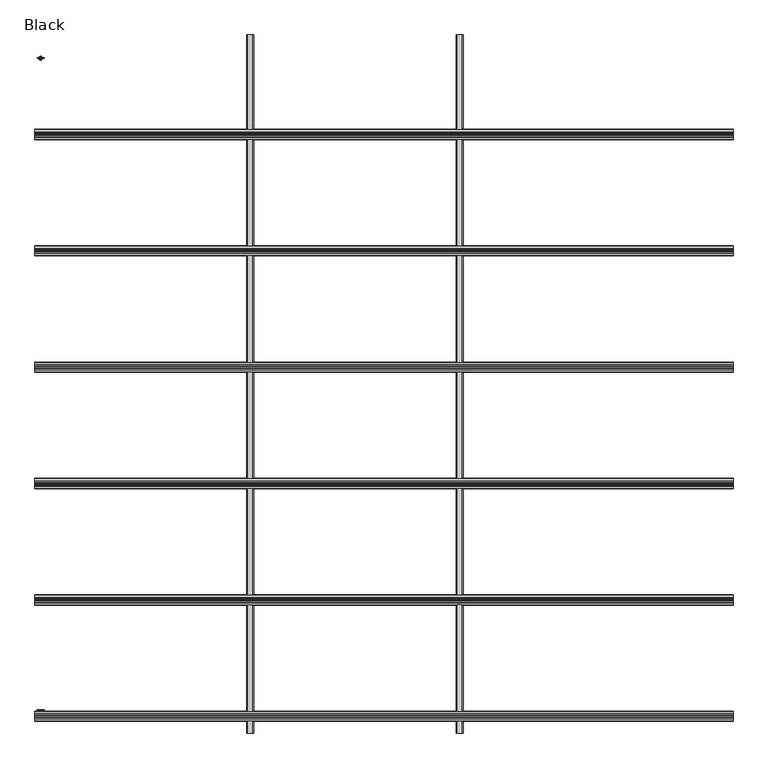
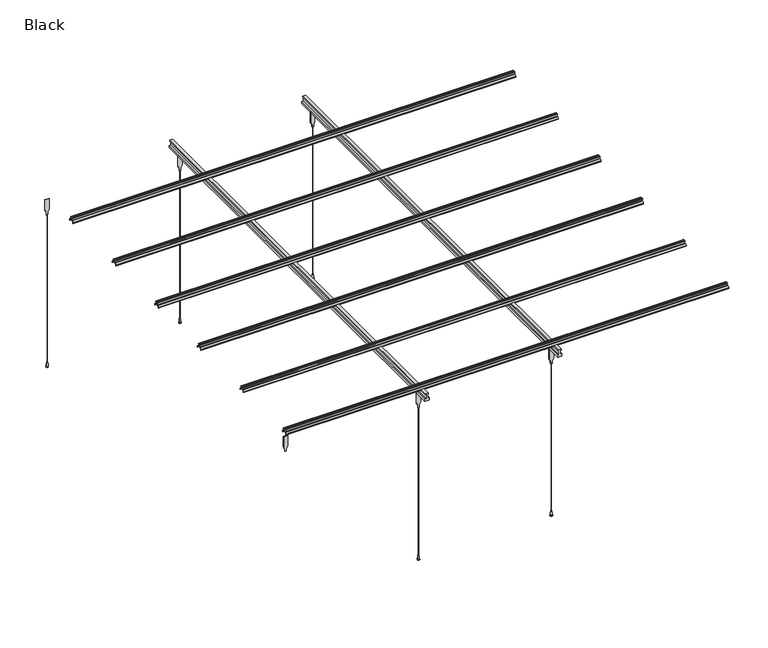
"""IFC4 building model written with IfcOpenShell, lengths in millimetres: proxy geometry, Black."""

from ifc_helpers import new_model, si_unit, point, frame, frame_2d, origin, place, context, project, spatial, polyline, circle_curve, ellipse_curve, trimmed, segment, composite_curve, outline, extrude, source, transform, mapped, element, save
from ifc_brep_helpers import plane_surface, cylinder_surface, revolved_surface, advanced_brep


def black_42f1b621(model_context):
    return source(origin(), model_context, "Body", "SolidModel", [
        extrude(outline(composite_curve([segment(trimmed(circle_curve(frame_2d((1066.5, 1274.0)), 2.0), [point((1066.5, 1276.0))], [point((1068.5, 1274.0))], False, "CARTESIAN"), True, "CONTINUOUS"), segment(polyline([(1068.5, 1274.0), (1067.0, 1274.0), (1067.0, 1268.0), (1077.0, 1268.0), (1077.0, 1274.0), (1075.4750888, 1274.0)]), True, "CONTINUOUS"), segment(trimmed(circle_curve(frame_2d((1077.4750888, 1274.0)), 2.0), [point((1075.4750888, 1274.0))], [point((1077.4750888, 1276.0))], False, "CARTESIAN"), True, "CONTINUOUS"), segment(polyline([(1077.4750888, 1276.0), (1082.0, 1276.0), (1082.0, 1275.0), (1078.0, 1275.0), (1078.0, 1259.5636161), (1083.2, 1259.5636161)]), True, "CONTINUOUS"), segment(trimmed(circle_curve(frame_2d((1083.2, 1250.7636161)), 8.8), [point((1083.2, 1259.5636161))], [point((1092.0, 1250.7636161))], False, "CARTESIAN"), True, "CONTINUOUS"), segment(polyline([(1092.0, 1250.7636161), (1092.0, 1248.0063531), (1094.0, 1248.0063531), (1092.0, 1245.0), (1090.7989305, 1245.0), (1092.1336726, 1247.0063531), (1091.0, 1247.0063531), (1091.0, 1250.7636161)]), True, "CONTINUOUS"), segment(trimmed(circle_curve(frame_2d((1083.2, 1250.7636161)), 7.8), [point((1091.0, 1250.7636161))], [point((1083.2, 1258.5636161))], True, "CARTESIAN"), True, "CONTINUOUS"), segment(polyline([(1083.2, 1258.5636161), (1077.0, 1258.5636161), (1077.0, 1267.0), (1067.0, 1267.0), (1067.0, 1258.5636161), (1060.8, 1258.5636161)]), True, "CONTINUOUS"), segment(trimmed(circle_curve(frame_2d((1060.8, 1250.7636161)), 7.8), [point((1060.8, 1258.5636161))], [point((1053.0, 1250.7636161))], True, "CARTESIAN"), True, "CONTINUOUS"), segment(polyline([(1053.0, 1250.7636161), (1053.0, 1247.0063531), (1051.8663274, 1247.0063531), (1053.2010695, 1245.0), (1052.0, 1245.0), (1050.0, 1248.0063531), (1052.0, 1248.0063531), (1052.0, 1250.7636161)]), True, "CONTINUOUS"), segment(trimmed(circle_curve(frame_2d((1060.8, 1250.7636161)), 8.8), [point((1052.0, 1250.7636161))], [point((1060.8, 1259.5636161))], False, "CARTESIAN"), True, "CONTINUOUS"), segment(polyline([(1060.8, 1259.5636161), (1066.0, 1259.5636161), (1066.0, 1275.0), (1062.0, 1275.0), (1062.0, 1276.0), (1066.5, 1276.0)]), True, "CONTINUOUS")], self_intersect=False)), frame((-1500.0, 0.0, 0.0), z_axis=(1.0, 0.0, 0.0), x_axis=(0.0, 1.0, 0.0)), (0.0, 0.0, 1.0), 3000.0),
        extrude(outline(composite_curve([segment(trimmed(circle_curve(frame_2d((566.5, 1274.0)), 2.0), [point((566.5, 1276.0))], [point((568.5, 1274.0))], False, "CARTESIAN"), True, "CONTINUOUS"), segment(polyline([(568.5, 1274.0), (567.0, 1274.0), (567.0, 1268.0), (577.0, 1268.0), (577.0, 1274.0), (575.4750888, 1274.0)]), True, "CONTINUOUS"), segment(trimmed(circle_curve(frame_2d((577.4750888, 1274.0)), 2.0), [point((575.4750888, 1274.0))], [point((577.4750888, 1276.0))], False, "CARTESIAN"), True, "CONTINUOUS"), segment(polyline([(577.4750888, 1276.0), (582.0, 1276.0), (582.0, 1275.0), (578.0, 1275.0), (578.0, 1259.5636161), (583.2, 1259.5636161)]), True, "CONTINUOUS"), segment(trimmed(circle_curve(frame_2d((583.2, 1250.7636161)), 8.8), [point((583.2, 1259.5636161))], [point((592.0, 1250.7636161))], False, "CARTESIAN"), True, "CONTINUOUS"), segment(polyline([(592.0, 1250.7636161), (592.0, 1248.0063531), (594.0, 1248.0063531), (592.0, 1245.0), (590.7989305, 1245.0), (592.1336726, 1247.0063531), (591.0, 1247.0063531), (591.0, 1250.7636161)]), True, "CONTINUOUS"), segment(trimmed(circle_curve(frame_2d((583.2, 1250.7636161)), 7.8), [point((591.0, 1250.7636161))], [point((583.2, 1258.5636161))], True, "CARTESIAN"), True, "CONTINUOUS"), segment(polyline([(583.2, 1258.5636161), (577.0, 1258.5636161), (577.0, 1267.0), (567.0, 1267.0), (567.0, 1258.5636161), (560.8, 1258.5636161)]), True, "CONTINUOUS"), segment(trimmed(circle_curve(frame_2d((560.8, 1250.7636161)), 7.8), [point((560.8, 1258.5636161))], [point((553.0, 1250.7636161))], True, "CARTESIAN"), True, "CONTINUOUS"), segment(polyline([(553.0, 1250.7636161), (553.0, 1247.0063531), (551.8663274, 1247.0063531), (553.2010695, 1245.0), (552.0, 1245.0), (550.0, 1248.0063531), (552.0, 1248.0063531), (552.0, 1250.7636161)]), True, "CONTINUOUS"), segment(trimmed(circle_curve(frame_2d((560.8, 1250.7636161)), 8.8), [point((552.0, 1250.7636161))], [point((560.8, 1259.5636161))], False, "CARTESIAN"), True, "CONTINUOUS"), segment(polyline([(560.8, 1259.5636161), (566.0, 1259.5636161), (566.0, 1275.0), (562.0, 1275.0), (562.0, 1276.0), (566.5, 1276.0)]), True, "CONTINUOUS")], self_intersect=False)), frame((-1500.0, 0.0, 0.0), z_axis=(1.0, 0.0, 0.0), x_axis=(0.0, 1.0, 0.0)), (0.0, 0.0, 1.0), 3000.0),
        extrude(outline(composite_curve([segment(trimmed(circle_curve(frame_2d((66.5, 1274.0)), 2.0), [point((66.5, 1276.0))], [point((68.5, 1274.0))], False, "CARTESIAN"), True, "CONTINUOUS"), segment(polyline([(68.5, 1274.0), (67.0, 1274.0), (67.0, 1268.0), (77.0, 1268.0), (77.0, 1274.0), (75.4750888, 1274.0)]), True, "CONTINUOUS"), segment(trimmed(circle_curve(frame_2d((77.4750888, 1274.0)), 2.0), [point((75.4750888, 1274.0))], [point((77.4750888, 1276.0))], False, "CARTESIAN"), True, "CONTINUOUS"), segment(polyline([(77.4750888, 1276.0), (82.0, 1276.0), (82.0, 1275.0), (78.0, 1275.0), (78.0, 1259.5636161), (83.2, 1259.5636161)]), True, "CONTINUOUS"), segment(trimmed(circle_curve(frame_2d((83.2, 1250.7636161)), 8.8), [point((83.2, 1259.5636161))], [point((92.0, 1250.7636161))], False, "CARTESIAN"), True, "CONTINUOUS"), segment(polyline([(92.0, 1250.7636161), (92.0, 1248.0063531), (94.0, 1248.0063531), (92.0, 1245.0), (90.7989305, 1245.0), (92.1336726, 1247.0063531), (91.0, 1247.0063531), (91.0, 1250.7636161)]), True, "CONTINUOUS"), segment(trimmed(circle_curve(frame_2d((83.2, 1250.7636161)), 7.8), [point((91.0, 1250.7636161))], [point((83.2, 1258.5636161))], True, "CARTESIAN"), True, "CONTINUOUS"), segment(polyline([(83.2, 1258.5636161), (77.0, 1258.5636161), (77.0, 1267.0), (67.0, 1267.0), (67.0, 1258.5636161), (60.8, 1258.5636161)]), True, "CONTINUOUS"), segment(trimmed(circle_curve(frame_2d((60.8, 1250.7636161)), 7.8), [point((60.8, 1258.5636161))], [point((53.0, 1250.7636161))], True, "CARTESIAN"), True, "CONTINUOUS"), segment(polyline([(53.0, 1250.7636161), (53.0, 1247.0063531), (51.8663274, 1247.0063531), (53.2010695, 1245.0), (52.0, 1245.0), (50.0, 1248.0063531), (52.0, 1248.0063531), (52.0, 1250.7636161)]), True, "CONTINUOUS"), segment(trimmed(circle_curve(frame_2d((60.8, 1250.7636161)), 8.8), [point((52.0, 1250.7636161))], [point((60.8, 1259.5636161))], False, "CARTESIAN"), True, "CONTINUOUS"), segment(polyline([(60.8, 1259.5636161), (66.0, 1259.5636161), (66.0, 1275.0), (62.0, 1275.0), (62.0, 1276.0), (66.5, 1276.0)]), True, "CONTINUOUS")], self_intersect=False)), frame((-1500.0, 0.0, 0.0), z_axis=(1.0, 0.0, 0.0), x_axis=(0.0, 1.0, 0.0)), (0.0, 0.0, 1.0), 3000.0),
        extrude(outline(composite_curve([segment(trimmed(circle_curve(frame_2d((-433.5, 1274.0)), 2.0), [point((-433.5, 1276.0))], [point((-431.5, 1274.0))], False, "CARTESIAN"), True, "CONTINUOUS"), segment(polyline([(-431.5, 1274.0), (-433.0, 1274.0), (-433.0, 1268.0), (-423.0, 1268.0), (-423.0, 1274.0), (-424.5249112, 1274.0)]), True, "CONTINUOUS"), segment(trimmed(circle_curve(frame_2d((-422.5249112, 1274.0)), 2.0), [point((-424.5249112, 1274.0))], [point((-422.5249112, 1276.0))], False, "CARTESIAN"), True, "CONTINUOUS"), segment(polyline([(-422.5249112, 1276.0), (-418.0, 1276.0), (-418.0, 1275.0), (-422.0, 1275.0), (-422.0, 1259.5636161), (-416.8, 1259.5636161)]), True, "CONTINUOUS"), segment(trimmed(circle_curve(frame_2d((-416.8, 1250.7636161)), 8.8), [point((-416.8, 1259.5636161))], [point((-408.0, 1250.7636161))], False, "CARTESIAN"), True, "CONTINUOUS"), segment(polyline([(-408.0, 1250.7636161), (-408.0, 1248.0063531), (-406.0, 1248.0063531), (-408.0, 1245.0), (-409.2010695, 1245.0), (-407.8663274, 1247.0063531), (-409.0, 1247.0063531), (-409.0, 1250.7636161)]), True, "CONTINUOUS"), segment(trimmed(circle_curve(frame_2d((-416.8, 1250.7636161)), 7.8), [point((-409.0, 1250.7636161))], [point((-416.8, 1258.5636161))], True, "CARTESIAN"), True, "CONTINUOUS"), segment(polyline([(-416.8, 1258.5636161), (-423.0, 1258.5636161), (-423.0, 1267.0), (-433.0, 1267.0), (-433.0, 1258.5636161), (-439.2, 1258.5636161)]), True, "CONTINUOUS"), segment(trimmed(circle_curve(frame_2d((-439.2, 1250.7636161)), 7.8), [point((-439.2, 1258.5636161))], [point((-447.0, 1250.7636161))], True, "CARTESIAN"), True, "CONTINUOUS"), segment(polyline([(-447.0, 1250.7636161), (-447.0, 1247.0063531), (-448.1336726, 1247.0063531), (-446.7989305, 1245.0), (-448.0, 1245.0), (-450.0, 1248.0063531), (-448.0, 1248.0063531), (-448.0, 1250.7636161)]), True, "CONTINUOUS"), segment(trimmed(circle_curve(frame_2d((-439.2, 1250.7636161)), 8.8), [point((-448.0, 1250.7636161))], [point((-439.2, 1259.5636161))], False, "CARTESIAN"), True, "CONTINUOUS"), segment(polyline([(-439.2, 1259.5636161), (-434.0, 1259.5636161), (-434.0, 1275.0), (-438.0, 1275.0), (-438.0, 1276.0), (-433.5, 1276.0)]), True, "CONTINUOUS")], self_intersect=False)), frame((-1500.0, 0.0, 0.0), z_axis=(1.0, 0.0, 0.0), x_axis=(0.0, 1.0, 0.0)), (0.0, 0.0, 1.0), 3000.0),
        extrude(outline(polyline([(1090.0, 330.0), (1105.0, 330.0), (1125.0, 340.0), (1200.0, 340.0), (1200.0, 310.0), (1125.0, 310.0), (1105.0, 320.0), (1090.0, 320.0), (1090.0, 330.0)])), frame((0.0, 1399.0, 0.0), z_axis=(0.0, 1.0, 0.0), x_axis=(0.0, 0.0, 1.0)), (0.0, 0.0, 1.0), 2.0),
        advanced_brep(
        [(323.0, 1400.0, 35.0), (327.0, 1400.0, 35.0), (325.0, 1400.0, 35.0), (325.0, 1400.0, 0.0), (333.0000004, 1400.0, 0.0), (316.9999996, 1400.0, 0.0), (333.0000004, 1400.0, 2.5000013), (316.9999996, 1400.0, 2.5000013), (329.4999998, 1400.0, 2.5000013), (320.5000002, 1400.0, 2.5000013), (329.4999998, 1400.0, 5.5), (320.5000002, 1400.0, 5.5), (331.0000001, 1400.0, 5.5), (318.9999999, 1400.0, 5.5), (328.0, 1400.0, 29.9999993), (322.0, 1400.0, 29.9999993), (327.0, 1400.0, 29.9999993), (323.0, 1400.0, 29.9999993)],
        [
            (0, 1, circle_curve(frame((325.0, 1400.0, 35.0), z_axis=(0.0, 0.0, 1.0), x_axis=(1.0, 0.0, 0.0)), 2.0)),
            (1, 2),
            (2, 0),
            (1, 0, circle_curve(frame((325.0, 1400.0, 35.0), z_axis=(0.0, 0.0, 1.0), x_axis=(1.0, 0.0, 0.0)), 2.0)),
            (3, 4),
            (4, 5, circle_curve(frame((325.0, 1400.0, 0.0), z_axis=(0.0, 0.0, -1.0), x_axis=(1.0, 0.0, 0.0)), 8.0000004)),
            (5, 3),
            (5, 4, circle_curve(frame((325.0, 1400.0, 0.0), z_axis=(0.0, 0.0, -1.0), x_axis=(1.0, 0.0, 0.0)), 8.0000004)),
            (4, 6),
            (6, 7, circle_curve(frame((325.0, 1400.0, 2.5000013), z_axis=(0.0, 0.0, -1.0), x_axis=(1.0, 0.0, 0.0)), 8.0000004)),
            (7, 5),
            (7, 6, circle_curve(frame((325.0, 1400.0, 2.5000013), z_axis=(0.0, 0.0, -1.0), x_axis=(1.0, 0.0, 0.0)), 8.0000004)),
            (6, 8),
            (8, 9, circle_curve(frame((325.0, 1400.0, 2.5000013), z_axis=(0.0, 0.0, -1.0), x_axis=(1.0, 0.0, 0.0)), 4.4999998)),
            (9, 7),
            (9, 8, circle_curve(frame((325.0, 1400.0, 2.5000013), z_axis=(0.0, 0.0, -1.0), x_axis=(1.0, 0.0, 0.0)), 4.4999998)),
            (8, 10),
            (10, 11, circle_curve(frame((325.0, 1400.0, 5.5), z_axis=(0.0, 0.0, -1.0), x_axis=(1.0, 0.0, 0.0)), 4.4999998)),
            (11, 9),
            (11, 10, circle_curve(frame((325.0, 1400.0, 5.5), z_axis=(0.0, 0.0, -1.0), x_axis=(1.0, 0.0, 0.0)), 4.4999998)),
            (10, 12),
            (12, 13, circle_curve(frame((325.0, 1400.0, 5.5), z_axis=(0.0, 0.0, -1.0), x_axis=(1.0, 0.0, 0.0)), 6.0000001)),
            (13, 11),
            (13, 12, circle_curve(frame((325.0, 1400.0, 5.5), z_axis=(0.0, 0.0, -1.0), x_axis=(1.0, 0.0, 0.0)), 6.0000001)),
            (12, 14, circle_curve(frame((229.4583655, 1400.0, 5.5000032), z_axis=(0.0, -1.0, 0.0), x_axis=(-1.0, 0.0, 0.0)), 101.5416345)),
            (14, 15, circle_curve(frame((325.0, 1400.0, 29.9999993), z_axis=(0.0, 0.0, -1.0), x_axis=(1.0, 0.0, 0.0)), 3.0)),
            (15, 13, circle_curve(frame((420.5416345, 1400.0, 5.5000032), z_axis=(0.0, -1.0, 0.0), x_axis=(1.0, 0.0, 0.0)), 101.5416345)),
            (15, 14, circle_curve(frame((325.0, 1400.0, 29.9999993), z_axis=(0.0, 0.0, -1.0), x_axis=(1.0, 0.0, 0.0)), 3.0)),
            (14, 16),
            (16, 17, circle_curve(frame((325.0, 1400.0, 29.9999993), z_axis=(0.0, 0.0, -1.0), x_axis=(1.0, 0.0, 0.0)), 2.0)),
            (17, 15),
            (17, 16, circle_curve(frame((325.0, 1400.0, 29.9999993), z_axis=(0.0, 0.0, -1.0), x_axis=(1.0, 0.0, 0.0)), 2.0)),
            (16, 1),
            (0, 17),
        ],
        [
            plane_surface(frame((325.0, 1400.0, 35.0), z_axis=(0.0, 0.0, 1.0), x_axis=(1.0, 0.0, 0.0))),
            plane_surface(frame((325.0, 1400.0, 0.0), z_axis=(0.0, 0.0, -1.0), x_axis=(1.0, 0.0, 0.0))),
            cylinder_surface(frame((325.0, 1400.0, -15.1208873), z_axis=(0.0, 0.0, -1.0), x_axis=(1.0, 0.0, 0.0)), 8.0000004),
            plane_surface(frame((325.0, 1400.0, 2.5000013), z_axis=(0.0, 0.0, 1.0), x_axis=(1.0, 0.0, 0.0))),
            cylinder_surface(frame((325.0, 1400.0, -15.1208873), z_axis=(0.0, 0.0, -1.0), x_axis=(1.0, 0.0, 0.0)), 4.4999998),
            plane_surface(frame((325.0, 1400.0, 5.5), z_axis=(0.0, 0.0, -1.0), x_axis=(1.0, 0.0, 0.0))),
            revolved_surface(trimmed(ellipse_curve(frame((229.4583655, 1400.0, 5.5000032), z_axis=(0.0, 1.0, 0.0), x_axis=(-1.0, 0.0, 0.0)), 101.5416345, 101.5416345), [point((328.0, 1400.0, 29.9999993))], [point((331.0000001, 1400.0, 5.5))], True, "CARTESIAN"), (325.0, 1400.0, -15.1208873), (0.0, 0.0, -1.0)),
            plane_surface(frame((325.0, 1400.0, 29.9999993), z_axis=(0.0, 0.0, 1.0), x_axis=(1.0, 0.0, 0.0))),
            cylinder_surface(frame((325.0, 1400.0, -15.1208873), z_axis=(0.0, 0.0, -1.0), x_axis=(1.0, 0.0, 0.0)), 2.0),
        ],
        [
            (0, [[1, 2, 3]]),
            (0, [[4, -3, -2]]),
            (1, [[5, 6, 7]]),
            (1, [[-7, 8, -5]]),
            (2, [[-6, 9, 10, 11]]),
            (2, [[-8, -11, 12, -9]]),
            (3, [[-10, 13, 14, 15]]),
            (3, [[-12, -15, 16, -13]]),
            (4, [[-14, 17, 18, 19]]),
            (4, [[-16, -19, 20, -17]]),
            (5, [[-18, 21, 22, 23]]),
            (5, [[-20, -23, 24, -21]]),
            (6, [[-22, 25, 26, 27]]),
            (6, [[-24, -27, 28, -25]]),
            (7, [[-26, 29, 30, 31]]),
            (7, [[-28, -31, 32, -29]]),
            (8, [[-30, 33, -1, 34]]),
            (8, [[-32, -34, -4, -33]]),
        ],
    ),
        extrude(outline(composite_curve([segment(trimmed(circle_curve(frame_2d((325.0, 1400.0)), 0.65), [point((325.65, 1400.0))], [point((324.35, 1400.0))], False, "CARTESIAN"), True, "CONTINUOUS"), segment(trimmed(circle_curve(frame_2d((325.0, 1400.0)), 0.65), [point((324.35, 1400.0))], [point((325.65, 1400.0))], False, "CARTESIAN"), True, "CONTINUOUS")], self_intersect=False)), frame((0.0, 0.0, 35.0), z_axis=(0.0, 0.0, 1.0), x_axis=(1.0, 0.0, 0.0)), (0.0, 0.0, 1.0), 1055.0),
        extrude(outline(polyline([(1090.0, 330.0), (1105.0, 330.0), (1125.0, 340.0), (1200.0, 340.0), (1200.0, 310.0), (1125.0, 310.0), (1105.0, 320.0), (1090.0, 320.0), (1090.0, 330.0)])), frame((0.0, -1401.0, 0.0), z_axis=(0.0, 1.0, 0.0), x_axis=(0.0, 0.0, 1.0)), (0.0, 0.0, 1.0), 2.0),
        advanced_brep(
        [(323.0, -1400.0, 35.0), (327.0, -1400.0, 35.0), (325.0, -1400.0, 35.0), (325.0, -1400.0, 0.0), (333.0000004, -1400.0, 0.0), (316.9999996, -1400.0, 0.0), (333.0000004, -1400.0, 2.5000013), (316.9999996, -1400.0, 2.5000013), (329.4999998, -1400.0, 2.5000013), (320.5000002, -1400.0, 2.5000013), (329.4999998, -1400.0, 5.5), (320.5000002, -1400.0, 5.5), (331.0000001, -1400.0, 5.5), (318.9999999, -1400.0, 5.5), (328.0, -1400.0, 29.9999993), (322.0, -1400.0, 29.9999993), (327.0, -1400.0, 29.9999993), (323.0, -1400.0, 29.9999993)],
        [
            (0, 1, circle_curve(frame((325.0, -1400.0, 35.0), z_axis=(0.0, 0.0, 1.0), x_axis=(1.0, 0.0, 0.0)), 2.0)),
            (1, 2),
            (2, 0),
            (1, 0, circle_curve(frame((325.0, -1400.0, 35.0), z_axis=(0.0, 0.0, 1.0), x_axis=(1.0, 0.0, 0.0)), 2.0)),
            (3, 4),
            (4, 5, circle_curve(frame((325.0, -1400.0, 0.0), z_axis=(0.0, 0.0, -1.0), x_axis=(1.0, 0.0, 0.0)), 8.0000004)),
            (5, 3),
            (5, 4, circle_curve(frame((325.0, -1400.0, 0.0), z_axis=(0.0, 0.0, -1.0), x_axis=(1.0, 0.0, 0.0)), 8.0000004)),
            (4, 6),
            (6, 7, circle_curve(frame((325.0, -1400.0, 2.5000013), z_axis=(0.0, 0.0, -1.0), x_axis=(1.0, 0.0, 0.0)), 8.0000004)),
            (7, 5),
            (7, 6, circle_curve(frame((325.0, -1400.0, 2.5000013), z_axis=(0.0, 0.0, -1.0), x_axis=(1.0, 0.0, 0.0)), 8.0000004)),
            (6, 8),
            (8, 9, circle_curve(frame((325.0, -1400.0, 2.5000013), z_axis=(0.0, 0.0, -1.0), x_axis=(1.0, 0.0, 0.0)), 4.4999998)),
            (9, 7),
            (9, 8, circle_curve(frame((325.0, -1400.0, 2.5000013), z_axis=(0.0, 0.0, -1.0), x_axis=(1.0, 0.0, 0.0)), 4.4999998)),
            (8, 10),
            (10, 11, circle_curve(frame((325.0, -1400.0, 5.5), z_axis=(0.0, 0.0, -1.0), x_axis=(1.0, 0.0, 0.0)), 4.4999998)),
            (11, 9),
            (11, 10, circle_curve(frame((325.0, -1400.0, 5.5), z_axis=(0.0, 0.0, -1.0), x_axis=(1.0, 0.0, 0.0)), 4.4999998)),
            (10, 12),
            (12, 13, circle_curve(frame((325.0, -1400.0, 5.5), z_axis=(0.0, 0.0, -1.0), x_axis=(1.0, 0.0, 0.0)), 6.0000001)),
            (13, 11),
            (13, 12, circle_curve(frame((325.0, -1400.0, 5.5), z_axis=(0.0, 0.0, -1.0), x_axis=(1.0, 0.0, 0.0)), 6.0000001)),
            (12, 14, circle_curve(frame((229.4583655, -1400.0, 5.5000032), z_axis=(0.0, -1.0, 0.0), x_axis=(-1.0, 0.0, 0.0)), 101.5416345)),
            (14, 15, circle_curve(frame((325.0, -1400.0, 29.9999993), z_axis=(0.0, 0.0, -1.0), x_axis=(1.0, 0.0, 0.0)), 3.0)),
            (15, 13, circle_curve(frame((420.5416345, -1400.0, 5.5000032), z_axis=(0.0, -1.0, 0.0), x_axis=(1.0, 0.0, 0.0)), 101.5416345)),
            (15, 14, circle_curve(frame((325.0, -1400.0, 29.9999993), z_axis=(0.0, 0.0, -1.0), x_axis=(1.0, 0.0, 0.0)), 3.0)),
            (14, 16),
            (16, 17, circle_curve(frame((325.0, -1400.0, 29.9999993), z_axis=(0.0, 0.0, -1.0), x_axis=(1.0, 0.0, 0.0)), 2.0)),
            (17, 15),
            (17, 16, circle_curve(frame((325.0, -1400.0, 29.9999993), z_axis=(0.0, 0.0, -1.0), x_axis=(1.0, 0.0, 0.0)), 2.0)),
            (16, 1),
            (0, 17),
        ],
        [
            plane_surface(frame((325.0, -1400.0, 35.0), z_axis=(0.0, 0.0, 1.0), x_axis=(1.0, 0.0, 0.0))),
            plane_surface(frame((325.0, -1400.0, 0.0), z_axis=(0.0, 0.0, -1.0), x_axis=(1.0, 0.0, 0.0))),
            cylinder_surface(frame((325.0, -1400.0, -15.1208873), z_axis=(0.0, 0.0, -1.0), x_axis=(1.0, 0.0, 0.0)), 8.0000004),
            plane_surface(frame((325.0, -1400.0, 2.5000013), z_axis=(0.0, 0.0, 1.0), x_axis=(1.0, 0.0, 0.0))),
            cylinder_surface(frame((325.0, -1400.0, -15.1208873), z_axis=(0.0, 0.0, -1.0), x_axis=(1.0, 0.0, 0.0)), 4.4999998),
            plane_surface(frame((325.0, -1400.0, 5.5), z_axis=(0.0, 0.0, -1.0), x_axis=(1.0, 0.0, 0.0))),
            revolved_surface(trimmed(ellipse_curve(frame((229.4583655, -1400.0, 5.5000032), z_axis=(0.0, 1.0, 0.0), x_axis=(-1.0, 0.0, 0.0)), 101.5416345, 101.5416345), [point((328.0, -1400.0, 29.9999993))], [point((331.0000001, -1400.0, 5.5))], True, "CARTESIAN"), (325.0, -1400.0, -15.1208873), (0.0, 0.0, -1.0)),
            plane_surface(frame((325.0, -1400.0, 29.9999993), z_axis=(0.0, 0.0, 1.0), x_axis=(1.0, 0.0, 0.0))),
            cylinder_surface(frame((325.0, -1400.0, -15.1208873), z_axis=(0.0, 0.0, -1.0), x_axis=(1.0, 0.0, 0.0)), 2.0),
        ],
        [
            (0, [[1, 2, 3]]),
            (0, [[4, -3, -2]]),
            (1, [[5, 6, 7]]),
            (1, [[-7, 8, -5]]),
            (2, [[-6, 9, 10, 11]]),
            (2, [[-8, -11, 12, -9]]),
            (3, [[-10, 13, 14, 15]]),
            (3, [[-12, -15, 16, -13]]),
            (4, [[-14, 17, 18, 19]]),
            (4, [[-16, -19, 20, -17]]),
            (5, [[-18, 21, 22, 23]]),
            (5, [[-20, -23, 24, -21]]),
            (6, [[-22, 25, 26, 27]]),
            (6, [[-24, -27, 28, -25]]),
            (7, [[-26, 29, 30, 31]]),
            (7, [[-28, -31, 32, -29]]),
            (8, [[-30, 33, -1, 34]]),
            (8, [[-32, -34, -4, -33]]),
        ],
    ),
        extrude(outline(composite_curve([segment(trimmed(circle_curve(frame_2d((325.0, -1400.0)), 0.65), [point((325.65, -1400.0))], [point((324.35, -1400.0))], False, "CARTESIAN"), True, "CONTINUOUS"), segment(trimmed(circle_curve(frame_2d((325.0, -1400.0)), 0.65), [point((324.35, -1400.0))], [point((325.65, -1400.0))], False, "CARTESIAN"), True, "CONTINUOUS")], self_intersect=False)), frame((0.0, 0.0, 35.0), z_axis=(0.0, 0.0, 1.0), x_axis=(1.0, 0.0, 0.0)), (0.0, 0.0, 1.0), 1055.0),
        extrude(outline(polyline([(1245.0, 335.0), (1250.0, 335.0), (1250.0, 315.0), (1245.0, 315.0), (1245.0, 320.0), (1215.0, 320.0), (1215.0, 310.0), (1200.0, 310.0), (1200.0, 340.0), (1215.0, 340.0), (1215.0, 330.0), (1245.0, 330.0), (1245.0, 335.0)])), frame((0.0, -1500.0, 0.0), z_axis=(0.0, 1.0, 0.0), x_axis=(0.0, 0.0, 1.0)), (0.0, 0.0, 1.0), 3000.0),
        extrude(outline(composite_curve([segment(trimmed(circle_curve(frame_2d((-933.5, 1274.0)), 2.0), [point((-933.5, 1276.0))], [point((-931.5, 1274.0))], False, "CARTESIAN"), True, "CONTINUOUS"), segment(polyline([(-931.5, 1274.0), (-933.0, 1274.0), (-933.0, 1268.0), (-923.0, 1268.0), (-923.0, 1274.0), (-924.5249112, 1274.0)]), True, "CONTINUOUS"), segment(trimmed(circle_curve(frame_2d((-922.5249112, 1274.0)), 2.0), [point((-924.5249112, 1274.0))], [point((-922.5249112, 1276.0))], False, "CARTESIAN"), True, "CONTINUOUS"), segment(polyline([(-922.5249112, 1276.0), (-918.0, 1276.0), (-918.0, 1275.0), (-922.0, 1275.0), (-922.0, 1259.5636161), (-916.8, 1259.5636161)]), True, "CONTINUOUS"), segment(trimmed(circle_curve(frame_2d((-916.8, 1250.7636161)), 8.8), [point((-916.8, 1259.5636161))], [point((-908.0, 1250.7636161))], False, "CARTESIAN"), True, "CONTINUOUS"), segment(polyline([(-908.0, 1250.7636161), (-908.0, 1248.0063531), (-906.0, 1248.0063531), (-908.0, 1245.0), (-909.2010695, 1245.0), (-907.8663274, 1247.0063531), (-909.0, 1247.0063531), (-909.0, 1250.7636161)]), True, "CONTINUOUS"), segment(trimmed(circle_curve(frame_2d((-916.8, 1250.7636161)), 7.8), [point((-909.0, 1250.7636161))], [point((-916.8, 1258.5636161))], True, "CARTESIAN"), True, "CONTINUOUS"), segment(polyline([(-916.8, 1258.5636161), (-923.0, 1258.5636161), (-923.0, 1267.0), (-933.0, 1267.0), (-933.0, 1258.5636161), (-939.2, 1258.5636161)]), True, "CONTINUOUS"), segment(trimmed(circle_curve(frame_2d((-939.2, 1250.7636161)), 7.8), [point((-939.2, 1258.5636161))], [point((-947.0, 1250.7636161))], True, "CARTESIAN"), True, "CONTINUOUS"), segment(polyline([(-947.0, 1250.7636161), (-947.0, 1247.0063531), (-948.1336726, 1247.0063531), (-946.7989305, 1245.0), (-948.0, 1245.0), (-950.0, 1248.0063531), (-948.0, 1248.0063531), (-948.0, 1250.7636161)]), True, "CONTINUOUS"), segment(trimmed(circle_curve(frame_2d((-939.2, 1250.7636161)), 8.8), [point((-948.0, 1250.7636161))], [point((-939.2, 1259.5636161))], False, "CARTESIAN"), True, "CONTINUOUS"), segment(polyline([(-939.2, 1259.5636161), (-934.0, 1259.5636161), (-934.0, 1275.0), (-938.0, 1275.0), (-938.0, 1276.0), (-933.5, 1276.0)]), True, "CONTINUOUS")], self_intersect=False)), frame((-1500.0, 0.0, 0.0), z_axis=(1.0, 0.0, 0.0), x_axis=(0.0, 1.0, 0.0)), (0.0, 0.0, 1.0), 3000.0),
        extrude(outline(composite_curve([segment(trimmed(circle_curve(frame_2d((-1433.5, 1274.0)), 2.0), [point((-1433.5, 1276.0))], [point((-1431.5, 1274.0))], False, "CARTESIAN"), True, "CONTINUOUS"), segment(polyline([(-1431.5, 1274.0), (-1433.0, 1274.0), (-1433.0, 1268.0), (-1423.0, 1268.0), (-1423.0, 1274.0), (-1424.5249112, 1274.0)]), True, "CONTINUOUS"), segment(trimmed(circle_curve(frame_2d((-1422.5249112, 1274.0)), 2.0), [point((-1424.5249112, 1274.0))], [point((-1422.5249112, 1276.0))], False, "CARTESIAN"), True, "CONTINUOUS"), segment(polyline([(-1422.5249112, 1276.0), (-1418.0, 1276.0), (-1418.0, 1275.0), (-1422.0, 1275.0), (-1422.0, 1259.5636161), (-1416.8, 1259.5636161)]), True, "CONTINUOUS"), segment(trimmed(circle_curve(frame_2d((-1416.8, 1250.7636161)), 8.8), [point((-1416.8, 1259.5636161))], [point((-1408.0, 1250.7636161))], False, "CARTESIAN"), True, "CONTINUOUS"), segment(polyline([(-1408.0, 1250.7636161), (-1408.0, 1248.0063531), (-1406.0, 1248.0063531), (-1408.0, 1245.0), (-1409.2010695, 1245.0), (-1407.8663274, 1247.0063531), (-1409.0, 1247.0063531), (-1409.0, 1250.7636161)]), True, "CONTINUOUS"), segment(trimmed(circle_curve(frame_2d((-1416.8, 1250.7636161)), 7.8), [point((-1409.0, 1250.7636161))], [point((-1416.8, 1258.5636161))], True, "CARTESIAN"), True, "CONTINUOUS"), segment(polyline([(-1416.8, 1258.5636161), (-1423.0, 1258.5636161), (-1423.0, 1267.0), (-1433.0, 1267.0), (-1433.0, 1258.5636161), (-1439.2, 1258.5636161)]), True, "CONTINUOUS"), segment(trimmed(circle_curve(frame_2d((-1439.2, 1250.7636161)), 7.8), [point((-1439.2, 1258.5636161))], [point((-1447.0, 1250.7636161))], True, "CARTESIAN"), True, "CONTINUOUS"), segment(polyline([(-1447.0, 1250.7636161), (-1447.0, 1247.0063531), (-1448.1336726, 1247.0063531), (-1446.7989305, 1245.0), (-1448.0, 1245.0), (-1450.0, 1248.0063531), (-1448.0, 1248.0063531), (-1448.0, 1250.7636161)]), True, "CONTINUOUS"), segment(trimmed(circle_curve(frame_2d((-1439.2, 1250.7636161)), 8.8), [point((-1448.0, 1250.7636161))], [point((-1439.2, 1259.5636161))], False, "CARTESIAN"), True, "CONTINUOUS"), segment(polyline([(-1439.2, 1259.5636161), (-1434.0, 1259.5636161), (-1434.0, 1275.0), (-1438.0, 1275.0), (-1438.0, 1276.0), (-1433.5, 1276.0)]), True, "CONTINUOUS")], self_intersect=False)), frame((-1500.0, 0.0, 0.0), z_axis=(1.0, 0.0, 0.0), x_axis=(0.0, 1.0, 0.0)), (0.0, 0.0, 1.0), 3000.0),
        extrude(outline(polyline([(1090.0, -570.0), (1105.0, -570.0), (1125.0, -560.0), (1200.0, -560.0), (1200.0, -590.0), (1125.0, -590.0), (1105.0, -580.0), (1090.0, -580.0), (1090.0, -570.0)])), frame((0.0, 1399.0, 0.0), z_axis=(0.0, 1.0, 0.0), x_axis=(0.0, 0.0, 1.0)), (0.0, 0.0, 1.0), 2.0),
        advanced_brep(
        [(-577.0, 1400.0, 35.0), (-573.0, 1400.0, 35.0), (-575.0, 1400.0, 35.0), (-575.0, 1400.0, 0.0), (-566.9999996, 1400.0, 0.0), (-583.0000004, 1400.0, 0.0), (-566.9999996, 1400.0, 2.5000013), (-583.0000004, 1400.0, 2.5000013), (-570.5000002, 1400.0, 2.5000013), (-579.4999998, 1400.0, 2.5000013), (-570.5000002, 1400.0, 5.5), (-579.4999998, 1400.0, 5.5), (-568.9999999, 1400.0, 5.5), (-581.0000001, 1400.0, 5.5), (-572.0, 1400.0, 29.9999993), (-578.0, 1400.0, 29.9999993), (-573.0, 1400.0, 29.9999993), (-577.0, 1400.0, 29.9999993)],
        [
            (0, 1, circle_curve(frame((-575.0, 1400.0, 35.0), z_axis=(0.0, 0.0, 1.0), x_axis=(1.0, 0.0, 0.0)), 2.0)),
            (1, 2),
            (2, 0),
            (1, 0, circle_curve(frame((-575.0, 1400.0, 35.0), z_axis=(0.0, 0.0, 1.0), x_axis=(1.0, 0.0, 0.0)), 2.0)),
            (3, 4),
            (4, 5, circle_curve(frame((-575.0, 1400.0, 0.0), z_axis=(0.0, 0.0, -1.0), x_axis=(1.0, 0.0, 0.0)), 8.0000004)),
            (5, 3),
            (5, 4, circle_curve(frame((-575.0, 1400.0, 0.0), z_axis=(0.0, 0.0, -1.0), x_axis=(1.0, 0.0, 0.0)), 8.0000004)),
            (4, 6),
            (6, 7, circle_curve(frame((-575.0, 1400.0, 2.5000013), z_axis=(0.0, 0.0, -1.0), x_axis=(1.0, 0.0, 0.0)), 8.0000004)),
            (7, 5),
            (7, 6, circle_curve(frame((-575.0, 1400.0, 2.5000013), z_axis=(0.0, 0.0, -1.0), x_axis=(1.0, 0.0, 0.0)), 8.0000004)),
            (6, 8),
            (8, 9, circle_curve(frame((-575.0, 1400.0, 2.5000013), z_axis=(0.0, 0.0, -1.0), x_axis=(1.0, 0.0, 0.0)), 4.4999998)),
            (9, 7),
            (9, 8, circle_curve(frame((-575.0, 1400.0, 2.5000013), z_axis=(0.0, 0.0, -1.0), x_axis=(1.0, 0.0, 0.0)), 4.4999998)),
            (8, 10),
            (10, 11, circle_curve(frame((-575.0, 1400.0, 5.5), z_axis=(0.0, 0.0, -1.0), x_axis=(1.0, 0.0, 0.0)), 4.4999998)),
            (11, 9),
            (11, 10, circle_curve(frame((-575.0, 1400.0, 5.5), z_axis=(0.0, 0.0, -1.0), x_axis=(1.0, 0.0, 0.0)), 4.4999998)),
            (10, 12),
            (12, 13, circle_curve(frame((-575.0, 1400.0, 5.5), z_axis=(0.0, 0.0, -1.0), x_axis=(1.0, 0.0, 0.0)), 6.0000001)),
            (13, 11),
            (13, 12, circle_curve(frame((-575.0, 1400.0, 5.5), z_axis=(0.0, 0.0, -1.0), x_axis=(1.0, 0.0, 0.0)), 6.0000001)),
            (12, 14, circle_curve(frame((-670.5416345, 1400.0, 5.5000032), z_axis=(0.0, -1.0, 0.0), x_axis=(-1.0, 0.0, 0.0)), 101.5416345)),
            (14, 15, circle_curve(frame((-575.0, 1400.0, 29.9999993), z_axis=(0.0, 0.0, -1.0), x_axis=(1.0, 0.0, 0.0)), 3.0)),
            (15, 13, circle_curve(frame((-479.4583655, 1400.0, 5.5000032), z_axis=(0.0, -1.0, 0.0), x_axis=(1.0, 0.0, 0.0)), 101.5416345)),
            (15, 14, circle_curve(frame((-575.0, 1400.0, 29.9999993), z_axis=(0.0, 0.0, -1.0), x_axis=(1.0, 0.0, 0.0)), 3.0)),
            (14, 16),
            (16, 17, circle_curve(frame((-575.0, 1400.0, 29.9999993), z_axis=(0.0, 0.0, -1.0), x_axis=(1.0, 0.0, 0.0)), 2.0)),
            (17, 15),
            (17, 16, circle_curve(frame((-575.0, 1400.0, 29.9999993), z_axis=(0.0, 0.0, -1.0), x_axis=(1.0, 0.0, 0.0)), 2.0)),
            (16, 1),
            (0, 17),
        ],
        [
            plane_surface(frame((-575.0, 1400.0, 35.0), z_axis=(0.0, 0.0, 1.0), x_axis=(1.0, 0.0, 0.0))),
            plane_surface(frame((-575.0, 1400.0, 0.0), z_axis=(0.0, 0.0, -1.0), x_axis=(1.0, 0.0, 0.0))),
            cylinder_surface(frame((-575.0, 1400.0, -15.1208873), z_axis=(0.0, 0.0, -1.0), x_axis=(1.0, 0.0, 0.0)), 8.0000004),
            plane_surface(frame((-575.0, 1400.0, 2.5000013), z_axis=(0.0, 0.0, 1.0), x_axis=(1.0, 0.0, 0.0))),
            cylinder_surface(frame((-575.0, 1400.0, -15.1208873), z_axis=(0.0, 0.0, -1.0), x_axis=(1.0, 0.0, 0.0)), 4.4999998),
            plane_surface(frame((-575.0, 1400.0, 5.5), z_axis=(0.0, 0.0, -1.0), x_axis=(1.0, 0.0, 0.0))),
            revolved_surface(trimmed(ellipse_curve(frame((-670.5416345, 1400.0, 5.5000032), z_axis=(0.0, 1.0, 0.0), x_axis=(-1.0, 0.0, 0.0)), 101.5416345, 101.5416345), [point((-572.0, 1400.0, 29.9999993))], [point((-568.9999999, 1400.0, 5.5))], True, "CARTESIAN"), (-575.0, 1400.0, -15.1208873), (0.0, 0.0, -1.0)),
            plane_surface(frame((-575.0, 1400.0, 29.9999993), z_axis=(0.0, 0.0, 1.0), x_axis=(1.0, 0.0, 0.0))),
            cylinder_surface(frame((-575.0, 1400.0, -15.1208873), z_axis=(0.0, 0.0, -1.0), x_axis=(1.0, 0.0, 0.0)), 2.0),
        ],
        [
            (0, [[1, 2, 3]]),
            (0, [[4, -3, -2]]),
            (1, [[5, 6, 7]]),
            (1, [[-7, 8, -5]]),
            (2, [[-6, 9, 10, 11]]),
            (2, [[-8, -11, 12, -9]]),
            (3, [[-10, 13, 14, 15]]),
            (3, [[-12, -15, 16, -13]]),
            (4, [[-14, 17, 18, 19]]),
            (4, [[-16, -19, 20, -17]]),
            (5, [[-18, 21, 22, 23]]),
            (5, [[-20, -23, 24, -21]]),
            (6, [[-22, 25, 26, 27]]),
            (6, [[-24, -27, 28, -25]]),
            (7, [[-26, 29, 30, 31]]),
            (7, [[-28, -31, 32, -29]]),
            (8, [[-30, 33, -1, 34]]),
            (8, [[-32, -34, -4, -33]]),
        ],
    ),
        extrude(outline(composite_curve([segment(trimmed(circle_curve(frame_2d((-575.0, 1400.0)), 0.65), [point((-574.35, 1400.0))], [point((-575.65, 1400.0))], False, "CARTESIAN"), True, "CONTINUOUS"), segment(trimmed(circle_curve(frame_2d((-575.0, 1400.0)), 0.65), [point((-575.65, 1400.0))], [point((-574.35, 1400.0))], False, "CARTESIAN"), True, "CONTINUOUS")], self_intersect=False)), frame((0.0, 0.0, 35.0), z_axis=(0.0, 0.0, 1.0), x_axis=(1.0, 0.0, 0.0)), (0.0, 0.0, 1.0), 1055.0),
        extrude(outline(polyline([(1090.0, -570.0), (1105.0, -570.0), (1125.0, -560.0), (1200.0, -560.0), (1200.0, -590.0), (1125.0, -590.0), (1105.0, -580.0), (1090.0, -580.0), (1090.0, -570.0)])), frame((0.0, -1401.0, 0.0), z_axis=(0.0, 1.0, 0.0), x_axis=(0.0, 0.0, 1.0)), (0.0, 0.0, 1.0), 2.0),
        advanced_brep(
        [(-577.0, -1400.0, 35.0), (-573.0, -1400.0, 35.0), (-575.0, -1400.0, 35.0), (-575.0, -1400.0, 0.0), (-566.9999996, -1400.0, 0.0), (-583.0000004, -1400.0, 0.0), (-566.9999996, -1400.0, 2.5000013), (-583.0000004, -1400.0, 2.5000013), (-570.5000002, -1400.0, 2.5000013), (-579.4999998, -1400.0, 2.5000013), (-570.5000002, -1400.0, 5.5), (-579.4999998, -1400.0, 5.5), (-568.9999999, -1400.0, 5.5), (-581.0000001, -1400.0, 5.5), (-572.0, -1400.0, 29.9999993), (-578.0, -1400.0, 29.9999993), (-573.0, -1400.0, 29.9999993), (-577.0, -1400.0, 29.9999993)],
        [
            (0, 1, circle_curve(frame((-575.0, -1400.0, 35.0), z_axis=(0.0, 0.0, 1.0), x_axis=(1.0, 0.0, 0.0)), 2.0)),
            (1, 2),
            (2, 0),
            (1, 0, circle_curve(frame((-575.0, -1400.0, 35.0), z_axis=(0.0, 0.0, 1.0), x_axis=(1.0, 0.0, 0.0)), 2.0)),
            (3, 4),
            (4, 5, circle_curve(frame((-575.0, -1400.0, 0.0), z_axis=(0.0, 0.0, -1.0), x_axis=(1.0, 0.0, 0.0)), 8.0000004)),
            (5, 3),
            (5, 4, circle_curve(frame((-575.0, -1400.0, 0.0), z_axis=(0.0, 0.0, -1.0), x_axis=(1.0, 0.0, 0.0)), 8.0000004)),
            (4, 6),
            (6, 7, circle_curve(frame((-575.0, -1400.0, 2.5000013), z_axis=(0.0, 0.0, -1.0), x_axis=(1.0, 0.0, 0.0)), 8.0000004)),
            (7, 5),
            (7, 6, circle_curve(frame((-575.0, -1400.0, 2.5000013), z_axis=(0.0, 0.0, -1.0), x_axis=(1.0, 0.0, 0.0)), 8.0000004)),
            (6, 8),
            (8, 9, circle_curve(frame((-575.0, -1400.0, 2.5000013), z_axis=(0.0, 0.0, -1.0), x_axis=(1.0, 0.0, 0.0)), 4.4999998)),
            (9, 7),
            (9, 8, circle_curve(frame((-575.0, -1400.0, 2.5000013), z_axis=(0.0, 0.0, -1.0), x_axis=(1.0, 0.0, 0.0)), 4.4999998)),
            (8, 10),
            (10, 11, circle_curve(frame((-575.0, -1400.0, 5.5), z_axis=(0.0, 0.0, -1.0), x_axis=(1.0, 0.0, 0.0)), 4.4999998)),
            (11, 9),
            (11, 10, circle_curve(frame((-575.0, -1400.0, 5.5), z_axis=(0.0, 0.0, -1.0), x_axis=(1.0, 0.0, 0.0)), 4.4999998)),
            (10, 12),
            (12, 13, circle_curve(frame((-575.0, -1400.0, 5.5), z_axis=(0.0, 0.0, -1.0), x_axis=(1.0, 0.0, 0.0)), 6.0000001)),
            (13, 11),
            (13, 12, circle_curve(frame((-575.0, -1400.0, 5.5), z_axis=(0.0, 0.0, -1.0), x_axis=(1.0, 0.0, 0.0)), 6.0000001)),
            (12, 14, circle_curve(frame((-670.5416345, -1400.0, 5.5000032), z_axis=(0.0, -1.0, 0.0), x_axis=(-1.0, 0.0, 0.0)), 101.5416345)),
            (14, 15, circle_curve(frame((-575.0, -1400.0, 29.9999993), z_axis=(0.0, 0.0, -1.0), x_axis=(1.0, 0.0, 0.0)), 3.0)),
            (15, 13, circle_curve(frame((-479.4583655, -1400.0, 5.5000032), z_axis=(0.0, -1.0, 0.0), x_axis=(1.0, 0.0, 0.0)), 101.5416345)),
            (15, 14, circle_curve(frame((-575.0, -1400.0, 29.9999993), z_axis=(0.0, 0.0, -1.0), x_axis=(1.0, 0.0, 0.0)), 3.0)),
            (14, 16),
            (16, 17, circle_curve(frame((-575.0, -1400.0, 29.9999993), z_axis=(0.0, 0.0, -1.0), x_axis=(1.0, 0.0, 0.0)), 2.0)),
            (17, 15),
            (17, 16, circle_curve(frame((-575.0, -1400.0, 29.9999993), z_axis=(0.0, 0.0, -1.0), x_axis=(1.0, 0.0, 0.0)), 2.0)),
            (16, 1),
            (0, 17),
        ],
        [
            plane_surface(frame((-575.0, -1400.0, 35.0), z_axis=(0.0, 0.0, 1.0), x_axis=(1.0, 0.0, 0.0))),
            plane_surface(frame((-575.0, -1400.0, 0.0), z_axis=(0.0, 0.0, -1.0), x_axis=(1.0, 0.0, 0.0))),
            cylinder_surface(frame((-575.0, -1400.0, -15.1208873), z_axis=(0.0, 0.0, -1.0), x_axis=(1.0, 0.0, 0.0)), 8.0000004),
            plane_surface(frame((-575.0, -1400.0, 2.5000013), z_axis=(0.0, 0.0, 1.0), x_axis=(1.0, 0.0, 0.0))),
            cylinder_surface(frame((-575.0, -1400.0, -15.1208873), z_axis=(0.0, 0.0, -1.0), x_axis=(1.0, 0.0, 0.0)), 4.4999998),
            plane_surface(frame((-575.0, -1400.0, 5.5), z_axis=(0.0, 0.0, -1.0), x_axis=(1.0, 0.0, 0.0))),
            revolved_surface(trimmed(ellipse_curve(frame((-670.5416345, -1400.0, 5.5000032), z_axis=(0.0, 1.0, 0.0), x_axis=(-1.0, 0.0, 0.0)), 101.5416345, 101.5416345), [point((-572.0, -1400.0, 29.9999993))], [point((-568.9999999, -1400.0, 5.5))], True, "CARTESIAN"), (-575.0, -1400.0, -15.1208873), (0.0, 0.0, -1.0)),
            plane_surface(frame((-575.0, -1400.0, 29.9999993), z_axis=(0.0, 0.0, 1.0), x_axis=(1.0, 0.0, 0.0))),
            cylinder_surface(frame((-575.0, -1400.0, -15.1208873), z_axis=(0.0, 0.0, -1.0), x_axis=(1.0, 0.0, 0.0)), 2.0),
        ],
        [
            (0, [[1, 2, 3]]),
            (0, [[4, -3, -2]]),
            (1, [[5, 6, 7]]),
            (1, [[-7, 8, -5]]),
            (2, [[-6, 9, 10, 11]]),
            (2, [[-8, -11, 12, -9]]),
            (3, [[-10, 13, 14, 15]]),
            (3, [[-12, -15, 16, -13]]),
            (4, [[-14, 17, 18, 19]]),
            (4, [[-16, -19, 20, -17]]),
            (5, [[-18, 21, 22, 23]]),
            (5, [[-20, -23, 24, -21]]),
            (6, [[-22, 25, 26, 27]]),
            (6, [[-24, -27, 28, -25]]),
            (7, [[-26, 29, 30, 31]]),
            (7, [[-28, -31, 32, -29]]),
            (8, [[-30, 33, -1, 34]]),
            (8, [[-32, -34, -4, -33]]),
        ],
    ),
        extrude(outline(composite_curve([segment(trimmed(circle_curve(frame_2d((-575.0, -1400.0)), 0.65), [point((-574.35, -1400.0))], [point((-575.65, -1400.0))], False, "CARTESIAN"), True, "CONTINUOUS"), segment(trimmed(circle_curve(frame_2d((-575.0, -1400.0)), 0.65), [point((-575.65, -1400.0))], [point((-574.35, -1400.0))], False, "CARTESIAN"), True, "CONTINUOUS")], self_intersect=False)), frame((0.0, 0.0, 35.0), z_axis=(0.0, 0.0, 1.0), x_axis=(1.0, 0.0, 0.0)), (0.0, 0.0, 1.0), 1055.0),
        extrude(outline(polyline([(1245.0, -565.0), (1250.0, -565.0), (1250.0, -585.0), (1245.0, -585.0), (1245.0, -580.0), (1215.0, -580.0), (1215.0, -590.0), (1200.0, -590.0), (1200.0, -560.0), (1215.0, -560.0), (1215.0, -570.0), (1245.0, -570.0), (1245.0, -565.0)])), frame((0.0, -1500.0, 0.0), z_axis=(0.0, 1.0, 0.0), x_axis=(0.0, 0.0, 1.0)), (0.0, 0.0, 1.0), 3000.0),
        extrude(outline(polyline([(1090.0, -1470.0), (1105.0, -1470.0), (1125.0, -1460.0), (1200.0, -1460.0), (1200.0, -1490.0), (1125.0, -1490.0), (1105.0, -1480.0), (1090.0, -1480.0), (1090.0, -1470.0)])), frame((0.0, 1399.0, 0.0), z_axis=(0.0, 1.0, 0.0), x_axis=(0.0, 0.0, 1.0)), (0.0, 0.0, 1.0), 2.0),
        advanced_brep(
        [(-1477.0, 1400.0, 35.0), (-1473.0, 1400.0, 35.0), (-1475.0, 1400.0, 35.0), (-1475.0, 1400.0, 0.0), (-1466.9999996, 1400.0, 0.0), (-1483.0000004, 1400.0, 0.0), (-1466.9999996, 1400.0, 2.5000013), (-1483.0000004, 1400.0, 2.5000013), (-1470.5000002, 1400.0, 2.5000013), (-1479.4999998, 1400.0, 2.5000013), (-1470.5000002, 1400.0, 5.5), (-1479.4999998, 1400.0, 5.5), (-1468.9999999, 1400.0, 5.5), (-1481.0000001, 1400.0, 5.5), (-1472.0, 1400.0, 29.9999993), (-1478.0, 1400.0, 29.9999993), (-1473.0, 1400.0, 29.9999993), (-1477.0, 1400.0, 29.9999993)],
        [
            (0, 1, circle_curve(frame((-1475.0, 1400.0, 35.0), z_axis=(0.0, 0.0, 1.0), x_axis=(1.0, 0.0, 0.0)), 2.0)),
            (1, 2),
            (2, 0),
            (1, 0, circle_curve(frame((-1475.0, 1400.0, 35.0), z_axis=(0.0, 0.0, 1.0), x_axis=(1.0, 0.0, 0.0)), 2.0)),
            (3, 4),
            (4, 5, circle_curve(frame((-1475.0, 1400.0, 0.0), z_axis=(0.0, 0.0, -1.0), x_axis=(1.0, 0.0, 0.0)), 8.0000004)),
            (5, 3),
            (5, 4, circle_curve(frame((-1475.0, 1400.0, 0.0), z_axis=(0.0, 0.0, -1.0), x_axis=(1.0, 0.0, 0.0)), 8.0000004)),
            (4, 6),
            (6, 7, circle_curve(frame((-1475.0, 1400.0, 2.5000013), z_axis=(0.0, 0.0, -1.0), x_axis=(1.0, 0.0, 0.0)), 8.0000004)),
            (7, 5),
            (7, 6, circle_curve(frame((-1475.0, 1400.0, 2.5000013), z_axis=(0.0, 0.0, -1.0), x_axis=(1.0, 0.0, 0.0)), 8.0000004)),
            (6, 8),
            (8, 9, circle_curve(frame((-1475.0, 1400.0, 2.5000013), z_axis=(0.0, 0.0, -1.0), x_axis=(1.0, 0.0, 0.0)), 4.4999998)),
            (9, 7),
            (9, 8, circle_curve(frame((-1475.0, 1400.0, 2.5000013), z_axis=(0.0, 0.0, -1.0), x_axis=(1.0, 0.0, 0.0)), 4.4999998)),
            (8, 10),
            (10, 11, circle_curve(frame((-1475.0, 1400.0, 5.5), z_axis=(0.0, 0.0, -1.0), x_axis=(1.0, 0.0, 0.0)), 4.4999998)),
            (11, 9),
            (11, 10, circle_curve(frame((-1475.0, 1400.0, 5.5), z_axis=(0.0, 0.0, -1.0), x_axis=(1.0, 0.0, 0.0)), 4.4999998)),
            (10, 12),
            (12, 13, circle_curve(frame((-1475.0, 1400.0, 5.5), z_axis=(0.0, 0.0, -1.0), x_axis=(1.0, 0.0, 0.0)), 6.0000001)),
            (13, 11),
            (13, 12, circle_curve(frame((-1475.0, 1400.0, 5.5), z_axis=(0.0, 0.0, -1.0), x_axis=(1.0, 0.0, 0.0)), 6.0000001)),
            (12, 14, circle_curve(frame((-1570.5416345, 1400.0, 5.5000032), z_axis=(0.0, -1.0, 0.0), x_axis=(-1.0, 0.0, 0.0)), 101.5416345)),
            (14, 15, circle_curve(frame((-1475.0, 1400.0, 29.9999993), z_axis=(0.0, 0.0, -1.0), x_axis=(1.0, 0.0, 0.0)), 3.0)),
            (15, 13, circle_curve(frame((-1379.4583655, 1400.0, 5.5000032), z_axis=(0.0, -1.0, 0.0), x_axis=(1.0, 0.0, 0.0)), 101.5416345)),
            (15, 14, circle_curve(frame((-1475.0, 1400.0, 29.9999993), z_axis=(0.0, 0.0, -1.0), x_axis=(1.0, 0.0, 0.0)), 3.0)),
            (14, 16),
            (16, 17, circle_curve(frame((-1475.0, 1400.0, 29.9999993), z_axis=(0.0, 0.0, -1.0), x_axis=(1.0, 0.0, 0.0)), 2.0)),
            (17, 15),
            (17, 16, circle_curve(frame((-1475.0, 1400.0, 29.9999993), z_axis=(0.0, 0.0, -1.0), x_axis=(1.0, 0.0, 0.0)), 2.0)),
            (16, 1),
            (0, 17),
        ],
        [
            plane_surface(frame((-1475.0, 1400.0, 35.0), z_axis=(0.0, 0.0, 1.0), x_axis=(1.0, 0.0, 0.0))),
            plane_surface(frame((-1475.0, 1400.0, 0.0), z_axis=(0.0, 0.0, -1.0), x_axis=(1.0, 0.0, 0.0))),
            cylinder_surface(frame((-1475.0, 1400.0, -15.1208873), z_axis=(0.0, 0.0, -1.0), x_axis=(1.0, 0.0, 0.0)), 8.0000004),
            plane_surface(frame((-1475.0, 1400.0, 2.5000013), z_axis=(0.0, 0.0, 1.0), x_axis=(1.0, 0.0, 0.0))),
            cylinder_surface(frame((-1475.0, 1400.0, -15.1208873), z_axis=(0.0, 0.0, -1.0), x_axis=(1.0, 0.0, 0.0)), 4.4999998),
            plane_surface(frame((-1475.0, 1400.0, 5.5), z_axis=(0.0, 0.0, -1.0), x_axis=(1.0, 0.0, 0.0))),
            revolved_surface(trimmed(ellipse_curve(frame((-1570.5416345, 1400.0, 5.5000032), z_axis=(0.0, 1.0, 0.0), x_axis=(-1.0, 0.0, 0.0)), 101.5416345, 101.5416345), [point((-1472.0, 1400.0, 29.9999993))], [point((-1468.9999999, 1400.0, 5.5))], True, "CARTESIAN"), (-1475.0, 1400.0, -15.1208873), (0.0, 0.0, -1.0)),
            plane_surface(frame((-1475.0, 1400.0, 29.9999993), z_axis=(0.0, 0.0, 1.0), x_axis=(1.0, 0.0, 0.0))),
            cylinder_surface(frame((-1475.0, 1400.0, -15.1208873), z_axis=(0.0, 0.0, -1.0), x_axis=(1.0, 0.0, 0.0)), 2.0),
        ],
        [
            (0, [[1, 2, 3]]),
            (0, [[4, -3, -2]]),
            (1, [[5, 6, 7]]),
            (1, [[-7, 8, -5]]),
            (2, [[-6, 9, 10, 11]]),
            (2, [[-8, -11, 12, -9]]),
            (3, [[-10, 13, 14, 15]]),
            (3, [[-12, -15, 16, -13]]),
            (4, [[-14, 17, 18, 19]]),
            (4, [[-16, -19, 20, -17]]),
            (5, [[-18, 21, 22, 23]]),
            (5, [[-20, -23, 24, -21]]),
            (6, [[-22, 25, 26, 27]]),
            (6, [[-24, -27, 28, -25]]),
            (7, [[-26, 29, 30, 31]]),
            (7, [[-28, -31, 32, -29]]),
            (8, [[-30, 33, -1, 34]]),
            (8, [[-32, -34, -4, -33]]),
        ],
    ),
        extrude(outline(composite_curve([segment(trimmed(circle_curve(frame_2d((-1475.0, 1400.0)), 0.65), [point((-1474.35, 1400.0))], [point((-1475.65, 1400.0))], False, "CARTESIAN"), True, "CONTINUOUS"), segment(trimmed(circle_curve(frame_2d((-1475.0, 1400.0)), 0.65), [point((-1475.65, 1400.0))], [point((-1474.35, 1400.0))], False, "CARTESIAN"), True, "CONTINUOUS")], self_intersect=False)), frame((0.0, 0.0, 35.0), z_axis=(0.0, 0.0, 1.0), x_axis=(1.0, 0.0, 0.0)), (0.0, 0.0, 1.0), 1055.0),
        extrude(outline(polyline([(1090.0, -1470.0), (1105.0, -1470.0), (1125.0, -1460.0), (1200.0, -1460.0), (1200.0, -1490.0), (1125.0, -1490.0), (1105.0, -1480.0), (1090.0, -1480.0), (1090.0, -1470.0)])), frame((0.0, -1401.0, 0.0), z_axis=(0.0, 1.0, 0.0), x_axis=(0.0, 0.0, 1.0)), (0.0, 0.0, 1.0), 2.0),
    ])


if __name__ == "__main__":
    model = new_model("IFC4")
    model_context = context("Model", 3, world=origin())
    ifc_project = project(units=[si_unit("LENGTHUNIT", "METRE", prefix="MILLI")], contexts=[model_context])
    site = spatial("IfcSite", under=ifc_project)
    building = spatial("IfcBuilding", under=site)
    placement = place(None, origin())
    black_shape = black_42f1b621(model_context)
    element("IfcBuildingElementProxy", 1, Name="Black", ObjectType="Black", at=placement, inside=building, context=model_context, shape_type="MappedRepresentation", body=[
        mapped(black_shape, transform((0.0, 0.0, 0.0), x_axis=(1.0, 0.0, 0.0), y_axis=(0.0, 1.0, 0.0), z_axis=(0.0, 0.0, 1.0))),
    ])
    save(model, "model.ifc")
